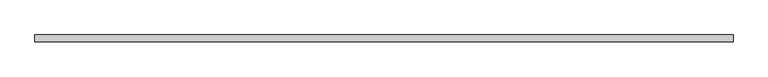
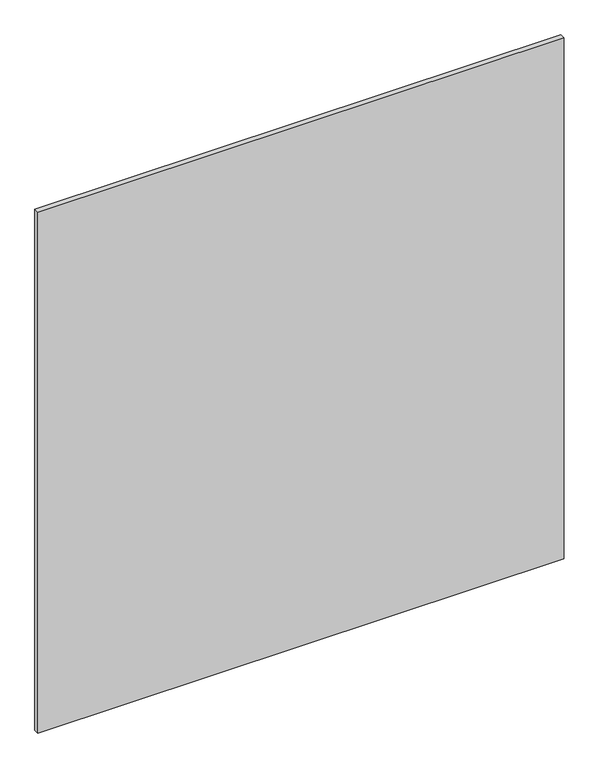
"""IFC4 building model written with IfcOpenShell, lengths in millimetres: plate geometry."""

from ifc_helpers import new_model, si_unit, origin, origin_with_axes, place, context, project, spatial, polyline, outline, extrude, source, transform, mapped, element, save


def plate_67ea9925(model_context):
    return source(origin(), model_context, "Body", "SweptSolid", [
        extrude(outline(polyline([(623.75, 6.0), (623.75, -6.0), (-623.75, -6.0), (-623.75, 6.0), (623.75, 6.0)])), origin_with_axes(), (0.0, 0.0, 1.0), 1305.0),
    ])


if __name__ == "__main__":
    model = new_model("IFC4")
    model_context = context("Model", 3, world=origin())
    ifc_project = project(units=[si_unit("LENGTHUNIT", "METRE", prefix="MILLI")], contexts=[model_context])
    site = spatial("IfcSite", under=ifc_project)
    building = spatial("IfcBuilding", under=site)
    placement = place(None, origin())
    plate_shape = plate_67ea9925(model_context)
    element("IfcPlate", 1, at=placement, inside=building, context=model_context, shape_type="MappedRepresentation", body=[
        mapped(plate_shape, transform((0.0, 0.0, 0.0), x_axis=(1.0, 0.0, 0.0), y_axis=(0.0, 1.0, 0.0), z_axis=(0.0, 0.0, 1.0))),
    ])
    save(model, "model.ifc")
